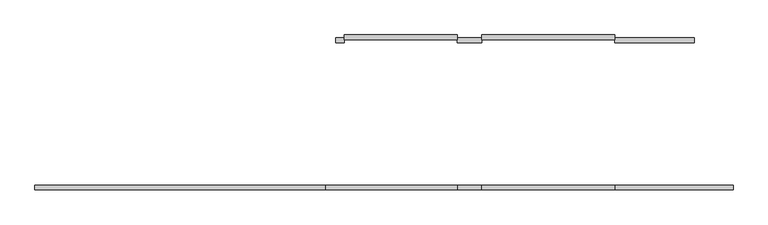
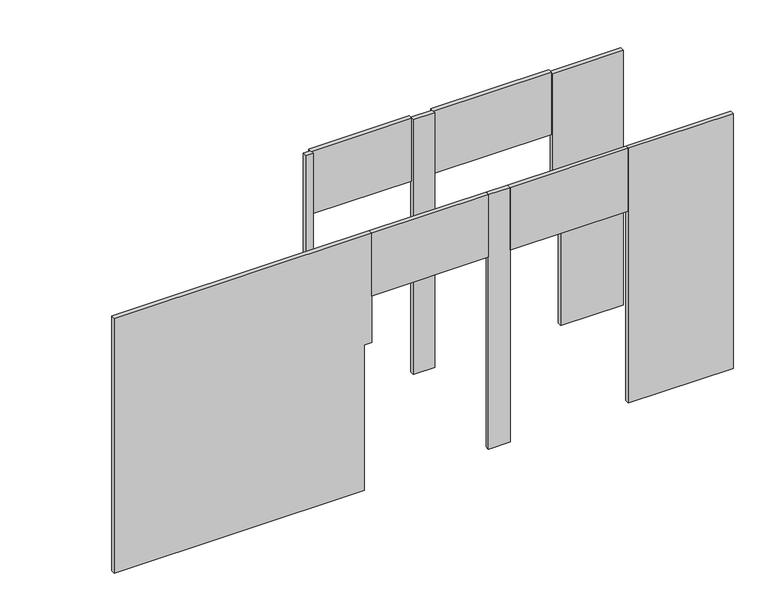
"""IFC4 building model written with IfcOpenShell, lengths in millimetres: proxy geometry."""

from ifc_helpers import new_model, si_unit, frame, origin, origin_with_axes, place, context, project, spatial, polyline, outline, extrude, faceted_brep, source, transform, mapped, element, save


def specialty_equipment_9d007cc5(model_context):
    return source(origin(), model_context, "Body", "SolidModel", [
        extrude(outline(polyline([(1193.2579035, 1581.15), (-208.75625, 1581.15), (-208.75625, 1631.95), (1193.2579035, 1631.95), (1193.2579035, 1581.15)])), frame((0.0, 0.0, 2413.0), z_axis=(0.0, 0.0, 1.0), x_axis=(1.0, 0.0, 0.0)), (0.0, 0.0, 1.0), 787.4),
        extrude(outline(polyline([(-465.93125, 1581.15), (-1655.5630035, 1581.15), (-1655.5630035, 1631.95), (-465.93125, 1631.95), (-465.93125, 1581.15)])), frame((0.0, 0.0, 2413.0), z_axis=(0.0, 0.0, 1.0), x_axis=(1.0, 0.0, 0.0)), (0.0, 0.0, 1.0), 787.4),
        extrude(outline(polyline([(1193.2579035, 0.0), (-208.75625, 0.0), (-208.75625, 50.8), (1193.2579035, 50.8), (1193.2579035, 0.0)])), frame((0.0, 0.0, 2413.0), z_axis=(0.0, 0.0, 1.0), x_axis=(1.0, 0.0, 0.0)), (0.0, 0.0, 1.0), 787.4),
        extrude(outline(polyline([(-465.93125, 0.0), (-1850.23125, 0.0), (-1850.23125, 50.8), (-465.93125, 50.8), (-465.93125, 0.0)])), frame((0.0, 0.0, 2413.0), z_axis=(0.0, 0.0, 1.0), x_axis=(1.0, 0.0, 0.0)), (0.0, 0.0, 1.0), 787.4),
        extrude(outline(polyline([(-1655.5630035, 1600.2), (-1655.5630035, 1549.4), (-1744.4630035, 1549.4), (-1744.4630035, 1600.2), (-1655.5630035, 1600.2)])), origin_with_axes(), (0.0, 0.0, 1.0), 3200.4),
        extrude(outline(polyline([(-208.75625, 1600.2), (-208.75625, 1549.4), (-465.93125, 1549.4), (-465.93125, 1600.2), (-208.75625, 1600.2)])), origin_with_axes(), (0.0, 0.0, 1.0), 3200.4),
        extrude(outline(polyline([(3200.4, 2030.4125), (3200.4, 1193.2579035), (1828.8, 1193.2579035), (1828.8, 1285.3329035), (0.0, 1285.3329035), (0.0, 2030.4125), (3200.4, 2030.4125)])), frame((0.0, 1549.4, 0.0), z_axis=(0.0, 1.0, 0.0), x_axis=(0.0, 0.0, 1.0)), (0.0, 0.0, 1.0), 50.8),
        faceted_brep([(1193.2579035, 0.0, 3200.4), (2439.19375, 0.0, 3200.4), (2439.19375, 50.8, 3200.4), (1193.2579035, 50.8, 3200.4), (1193.2579035, 0.0, 0.0), (1193.2579035, 50.8, 0.0), (2439.19375, 50.8, 0.0), (2439.19375, 0.0, 0.0)], [[[0, 1, 2, 3]], [[4, 5, 6, 7]], [[1, 0, 4, 7]], [[2, 1, 7, 6]], [[3, 2, 6, 5]], [[0, 3, 5, 4]]]),
        faceted_brep([(-208.75625, 0.0, 3200.4), (-208.75625, 50.8, 3200.4), (-465.93125, 50.8, 3200.4), (-465.93125, 0.0, 3200.4), (-208.75625, 0.0, 0.0), (-465.93125, 0.0, 0.0), (-465.93125, 50.8, 0.0), (-208.75625, 50.8, 0.0)], [[[0, 1, 2, 3]], [[4, 5, 6, 7]], [[1, 0, 4, 7]], [[2, 1, 7, 6]], [[3, 2, 6, 5]], [[0, 3, 5, 4]]]),
        faceted_brep([(-2586.83125, 50.8, 3200.4), (-4910.93125, 50.8, 3200.4), (-4910.93125, 0.0, 3200.4), (-1850.23125, 0.0, 3200.4), (-1850.23125, 50.8, 3200.4), (-4910.93125, 0.0, 0.0), (-4910.93125, 50.8, 0.0), (-2586.83125, 50.8, 0.0), (-1942.30625, 50.8, 0.0), (-1942.30625, 0.0, 0.0), (-1942.30625, 0.0, 1828.8), (-1850.23125, 0.0, 1828.8), (-1850.23125, 50.8, 1828.8), (-1942.30625, 50.8, 1828.8)], [[[0, 1, 2, 3, 4]], [[5, 6, 7, 8, 9]], [[1, 0, 7, 6]], [[2, 1, 6, 5]], [[3, 2, 5, 9, 10, 11]], [[4, 3, 11, 12]], [[0, 4, 12, 13, 8, 7]], [[10, 13, 12, 11]], [[13, 10, 9, 8]]]),
    ])


if __name__ == "__main__":
    model = new_model("IFC4")
    model_context = context("Model", 3, world=origin())
    ifc_project = project(units=[si_unit("LENGTHUNIT", "METRE", prefix="MILLI")], contexts=[model_context])
    site = spatial("IfcSite", under=ifc_project)
    building = spatial("IfcBuilding", under=site)
    placement = place(None, origin())
    specialty_equipment_shape = specialty_equipment_9d007cc5(model_context)
    element("IfcBuildingElementProxy", 1, Name="Specialty Equipment", at=placement, inside=building, context=model_context, shape_type="MappedRepresentation", body=[
        mapped(specialty_equipment_shape, transform((0.0, 0.0, 0.0), x_axis=(1.0, 0.0, 0.0), y_axis=(0.0, 1.0, 0.0), z_axis=(0.0, 0.0, 1.0))),
    ])
    save(model, "model.ifc")
